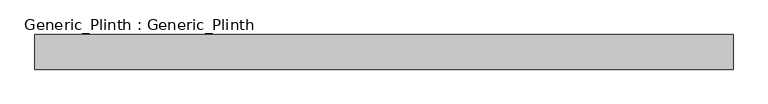
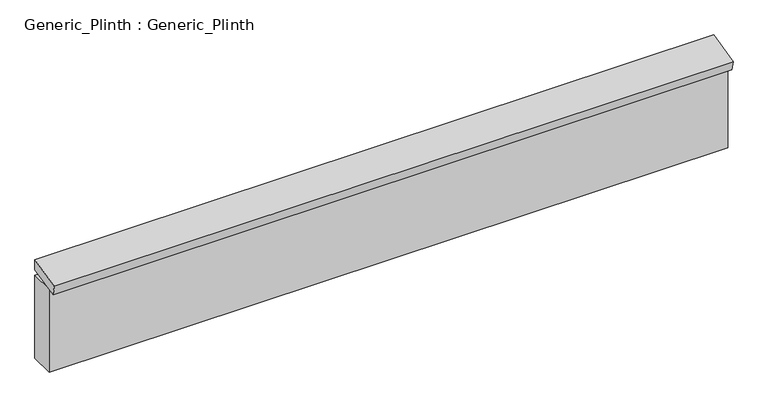
"""IFC4 building model written with IfcOpenShell, lengths in millimetres: proxy geometry, Generic_Plinth : Generic_Plinth."""

import ifcopenshell
import ifcopenshell.guid

model = None  # the IFC model being written
_history = None  # IfcOwnerHistory: only IFC2X3 demands one
_inside = {}  # id of a spatial element -> (the spatial element, [elements in it])
_under = {}  # id of a project, library or spatial element -> (it, [spatial elements below it])
_declared = {}  # id of a project -> (the project, [libraries it declares])
_typed = {}  # id of a type object -> (the type object, [elements of that type])
_made_of = {}  # id of a material, layer set ... -> (it, [elements and type objects made of it])


def new_model(schema):
    """Start an empty IFC model of exactly this schema.

    Asked for "IFC4X3", IfcOpenShell would pick the latest addendum, in which some entities
    have other attributes; the version numbers below select the first issue.
    IFC2X3 requires an IfcOwnerHistory on every rooted entity: one is made here for all.
    """
    global model, _history
    if schema == "IFC4X3":
        model = ifcopenshell.file(schema_version=(4, 3, 0, 0))
    else:
        model = ifcopenshell.file(schema=schema)
    _inside.clear()
    _under.clear()
    _declared.clear()
    _typed.clear()
    _made_of.clear()
    _history = None
    if model.schema == "IFC2X3":
        org = make("IfcOrganization", Name="unknown")
        user = make(
            "IfcPersonAndOrganization",
            ThePerson=make("IfcPerson", FamilyName="unknown"),
            TheOrganization=org,
        )
        app = make(
            "IfcApplication",
            ApplicationDeveloper=org,
            Version="unknown",
            ApplicationFullName="unknown",
            ApplicationIdentifier="unknown",
        )
        _history = make(
            "IfcOwnerHistory",
            OwningUser=user,
            OwningApplication=app,
            ChangeAction="ADDED",
            CreationDate=0,
        )
    return model


def make(cls, **values):
    """One entity of the class cls with the attributes given. An attribute that is None is left unset."""
    return model.create_entity(
        cls, **{name: value for name, value in values.items() if value is not None}
    )


def rooted(cls, **values):
    """An entity with a GlobalId (a new one), such as an element, a storey or a relation."""
    return make(cls, GlobalId=ifcopenshell.guid.new(), OwnerHistory=_history, **values)


def si_unit(unit_type, name, prefix=None):
    """IfcSIUnit, for example si_unit("LENGTHUNIT", "METRE", prefix="MILLI")."""
    return make("IfcSIUnit", UnitType=unit_type, Prefix=prefix, Name=name)


def assignment(units):
    """IfcUnitAssignment: the units of a project."""
    return None if units is None else make("IfcUnitAssignment", Units=units)


def point(xyz):
    """IfcCartesianPoint."""
    return None if xyz is None else make("IfcCartesianPoint", Coordinates=xyz)


def direction(xyz):
    """IfcDirection."""
    return None if xyz is None else make("IfcDirection", DirectionRatios=xyz)


def frame(location, z_axis=None, x_axis=None):
    """IfcAxis2Placement3D, a coordinate frame: its origin and axes. An axis left out is left unset."""
    return make(
        "IfcAxis2Placement3D",
        Location=point(location),
        Axis=direction(z_axis),
        RefDirection=direction(x_axis),
    )


def origin():
    """The frame at (0, 0, 0) with its axes left unset."""
    return frame((0.0, 0.0, 0.0))


def origin_with_axes():
    """The frame at (0, 0, 0) with the z axis (0, 0, 1) and the x axis (1, 0, 0) written out."""
    return frame((0.0, 0.0, 0.0), z_axis=(0.0, 0.0, 1.0), x_axis=(1.0, 0.0, 0.0))


def place(relative_to, where):
    """IfcLocalPlacement: puts the frame where relative to a parent placement (None: the world)."""
    return make(
        "IfcLocalPlacement", PlacementRelTo=relative_to, RelativePlacement=where
    )


def context(
    kind, dimensions, precision=None, world=None, true_north=None, identifier=None
):
    """IfcGeometricRepresentationContext, for example the 3D "Model" context."""
    return make(
        "IfcGeometricRepresentationContext",
        ContextIdentifier=identifier,
        ContextType=kind,
        CoordinateSpaceDimension=dimensions,
        Precision=precision,
        WorldCoordinateSystem=world,
        TrueNorth=true_north,
    )


def project(units=None, contexts=None):
    """IfcProject with its units and contexts."""
    return rooted(
        "IfcProject",
        Name="project",
        RepresentationContexts=contexts,
        UnitsInContext=assignment(units),
    )


def spatial(cls, under=None, at=None, **own):
    """A site, building, storey or space (cls), placed at a placement, below another one or the project."""
    s = rooted(cls, ObjectPlacement=at, **own)
    if under is not None:
        _under.setdefault(under.id(), (under, []))[1].append(s)
    return s


def polyline(points):
    """IfcPolyline through the points."""
    return make("IfcPolyline", Points=[point(p) for p in points])


def outline(outer, holes=None, kind="AREA"):
    """IfcArbitraryClosedProfileDef: a profile drawn as a closed curve; with holes, ...WithVoids."""
    if holes is None:
        return make("IfcArbitraryClosedProfileDef", ProfileType=kind, OuterCurve=outer)
    return make(
        "IfcArbitraryProfileDefWithVoids",
        ProfileType=kind,
        OuterCurve=outer,
        InnerCurves=holes,
    )


def extrude(swept, where, along, depth):
    """IfcExtrudedAreaSolid: the profile swept, set in the frame where, extruded along a direction by depth."""
    return make(
        "IfcExtrudedAreaSolid",
        SweptArea=swept,
        Position=where,
        ExtrudedDirection=direction(along),
        Depth=depth,
    )


def shape(context_of_items, identifier, shape_type, items):
    """IfcShapeRepresentation: the items that make up one representation, for example the "Body"."""
    return make(
        "IfcShapeRepresentation",
        ContextOfItems=context_of_items,
        RepresentationIdentifier=identifier,
        RepresentationType=shape_type,
        Items=items,
    )


def source(mapping_origin, context_of_items, identifier, shape_type, items):
    """IfcRepresentationMap: a shape defined once, which mapped items show again and again."""
    return make(
        "IfcRepresentationMap",
        MappingOrigin=mapping_origin,
        MappedRepresentation=shape(context_of_items, identifier, shape_type, items),
    )


def transform(
    local_origin,
    x_axis=None,
    y_axis=None,
    z_axis=None,
    scale=None,
    scale2=None,
    scale3=None,
    uniform=True,
):
    """IfcCartesianTransformationOperator3D, or its non-uniform kind. x_axis, y_axis, z_axis: its Axis1, 2, 3."""
    if uniform:
        return make(
            "IfcCartesianTransformationOperator3D",
            Axis1=direction(x_axis),
            Axis2=direction(y_axis),
            LocalOrigin=point(local_origin),
            Scale=scale,
            Axis3=direction(z_axis),
        )
    return make(
        "IfcCartesianTransformationOperator3DnonUniform",
        Axis1=direction(x_axis),
        Axis2=direction(y_axis),
        LocalOrigin=point(local_origin),
        Scale=scale,
        Axis3=direction(z_axis),
        Scale2=scale2,
        Scale3=scale3,
    )


def mapped(mapping_source, mapping_target):
    """IfcMappedItem: shows the shape of a source again, moved by a transform."""
    return make(
        "IfcMappedItem", MappingSource=mapping_source, MappingTarget=mapping_target
    )


def made_of(thing, what):
    """Note that an element or type object is made of a material, layer set ...; save() writes the relation."""
    if what is not None:
        _made_of.setdefault(what.id(), (what, []))[1].append(thing)
    return thing


def element(
    cls,
    number,
    at=None,
    inside=None,
    cuts=None,
    type_object=None,
    material=None,
    context=None,
    identifier="Body",
    shape_type=None,
    held_by="IfcProductDefinitionShape",
    body=None,
    shapes=None,
    **own,
):
    """One element of the class cls, such as IfcWall. Its Tag is "e" and its number.

    at: its placement. inside: the storey or other place that contains it. cuts: it is an
    opening in that element (IfcRelVoidsElement). A single representation is given by context,
    identifier, shape_type and body (its items); several are given by shapes. held_by: the class
    of the entity that holds the representations. save() writes the other relations.
    """
    e = rooted(cls, Tag="e%d" % number, ObjectPlacement=at, **own)
    if body is not None:
        shapes = [shape(context, identifier, shape_type, body)]
    if shapes is not None:
        e.Representation = make(held_by, Representations=shapes)
    if inside is not None:
        _inside.setdefault(inside.id(), (inside, []))[1].append(e)
    if cuts is not None:
        rooted(
            "IfcRelVoidsElement", RelatingBuildingElement=cuts, RelatedOpeningElement=e
        )
    if type_object is not None:
        _typed.setdefault(type_object.id(), (type_object, []))[1].append(e)
    return made_of(e, material)


def aggregate(whole, parts):
    """IfcRelAggregates: a whole, such as a stair, and the parts it consists of."""
    return rooted("IfcRelAggregates", RelatingObject=whole, RelatedObjects=parts)


def save(model, path):
    """Write the relations noted so far, then the file.

    IfcRelAggregates (storeys below a building ...), IfcRelContainedInSpatialStructure (elements
    in a storey), IfcRelDefinesByType, IfcRelAssociatesMaterial and IfcRelDeclares: one each for
    every whole, place, type object, material and project.
    """
    for whole, parts in _under.values():
        aggregate(whole, parts)
    for where, things in _inside.values():
        rooted(
            "IfcRelContainedInSpatialStructure",
            RelatedElements=things,
            RelatingStructure=where,
        )
    for kind, things in _typed.values():
        rooted("IfcRelDefinesByType", RelatedObjects=things, RelatingType=kind)
    for what, things in _made_of.values():
        rooted("IfcRelAssociatesMaterial", RelatedObjects=things, RelatingMaterial=what)
    for by, libraries in _declared.values():
        rooted("IfcRelDeclares", RelatingContext=by, RelatedDefinitions=libraries)
    model.write(path)


def generic_plinth_generic_plinth_e7c0ed00(model_context):
    return source(origin(), model_context, "Body", "SweptSolid", [
        extrude(outline(polyline([(0.0, 575.0292836), (0.0, 516.3760038), (-172.7615446, 476.4908585), (-185.6174973, 532.1761077), (0.0, 575.0292836)])), frame((0.0, 0.0, 0.0), z_axis=(1.0, 0.0, 0.0), x_axis=(0.0, 1.0, 0.0)), (0.0, 0.0, 1.0), 3740.15),
        extrude(outline(polyline([(0.0, -135.2979969), (0.0, 0.0), (3740.15, 0.0), (3740.15, -135.2979969), (0.0, -135.2979969)])), origin_with_axes(), (0.0, 0.0, 1.0), 485.14),
    ])


if __name__ == "__main__":
    model = new_model("IFC4")
    model_context = context("Model", 3, world=origin())
    ifc_project = project(units=[si_unit("LENGTHUNIT", "METRE", prefix="MILLI")], contexts=[model_context])
    site = spatial("IfcSite", under=ifc_project)
    building = spatial("IfcBuilding", under=site)
    placement = place(None, origin())
    generic_plinth_generic_plinth_shape = generic_plinth_generic_plinth_e7c0ed00(model_context)
    element("IfcBuildingElementProxy", 1, Name="Generic_Plinth : Generic_Plinth", ObjectType="Generic_Plinth : Generic_Plinth", at=placement, inside=building, context=model_context, shape_type="MappedRepresentation", body=[
        mapped(generic_plinth_generic_plinth_shape, transform((0.0, 0.0, 0.0), x_axis=(1.0, 0.0, 0.0), y_axis=(0.0, 1.0, 0.0), z_axis=(0.0, 0.0, 1.0))),
    ])
    save(model, "model.ifc")
